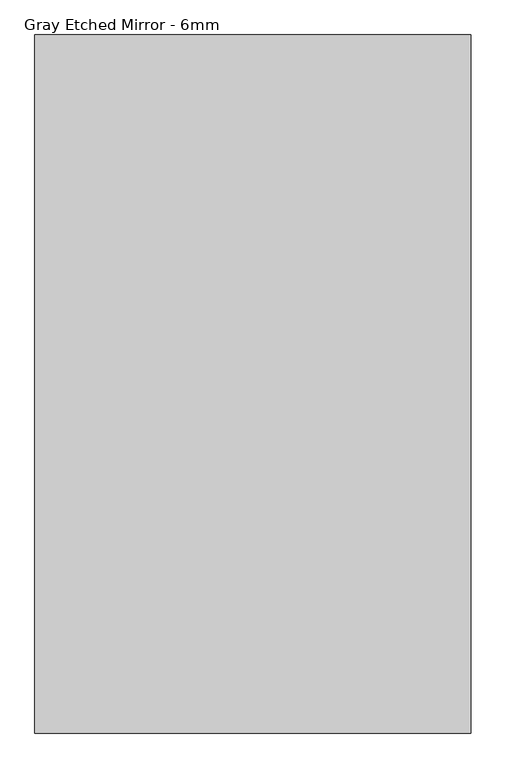
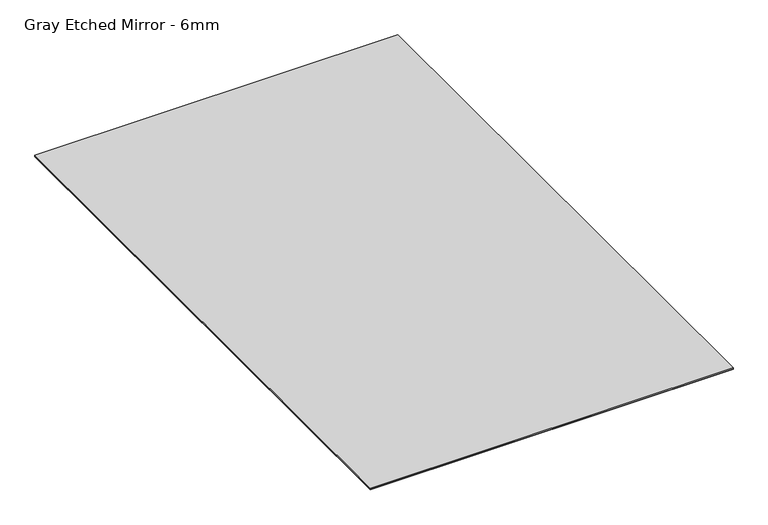
"""IFC4 building model written with IfcOpenShell, lengths in millimetres: proxy geometry, Gray Etched Mirror - 6mm."""

import ifcopenshell
import ifcopenshell.guid

model = None  # the IFC model being written
_history = None  # IfcOwnerHistory: only IFC2X3 demands one
_inside = {}  # id of a spatial element -> (the spatial element, [elements in it])
_under = {}  # id of a project, library or spatial element -> (it, [spatial elements below it])
_declared = {}  # id of a project -> (the project, [libraries it declares])
_typed = {}  # id of a type object -> (the type object, [elements of that type])
_made_of = {}  # id of a material, layer set ... -> (it, [elements and type objects made of it])


def new_model(schema):
    """Start an empty IFC model of exactly this schema.

    Asked for "IFC4X3", IfcOpenShell would pick the latest addendum, in which some entities
    have other attributes; the version numbers below select the first issue.
    IFC2X3 requires an IfcOwnerHistory on every rooted entity: one is made here for all.
    """
    global model, _history
    if schema == "IFC4X3":
        model = ifcopenshell.file(schema_version=(4, 3, 0, 0))
    else:
        model = ifcopenshell.file(schema=schema)
    _inside.clear()
    _under.clear()
    _declared.clear()
    _typed.clear()
    _made_of.clear()
    _history = None
    if model.schema == "IFC2X3":
        org = make("IfcOrganization", Name="unknown")
        user = make(
            "IfcPersonAndOrganization",
            ThePerson=make("IfcPerson", FamilyName="unknown"),
            TheOrganization=org,
        )
        app = make(
            "IfcApplication",
            ApplicationDeveloper=org,
            Version="unknown",
            ApplicationFullName="unknown",
            ApplicationIdentifier="unknown",
        )
        _history = make(
            "IfcOwnerHistory",
            OwningUser=user,
            OwningApplication=app,
            ChangeAction="ADDED",
            CreationDate=0,
        )
    return model


def make(cls, **values):
    """One entity of the class cls with the attributes given. An attribute that is None is left unset."""
    return model.create_entity(
        cls, **{name: value for name, value in values.items() if value is not None}
    )


def rooted(cls, **values):
    """An entity with a GlobalId (a new one), such as an element, a storey or a relation."""
    return make(cls, GlobalId=ifcopenshell.guid.new(), OwnerHistory=_history, **values)


def si_unit(unit_type, name, prefix=None):
    """IfcSIUnit, for example si_unit("LENGTHUNIT", "METRE", prefix="MILLI")."""
    return make("IfcSIUnit", UnitType=unit_type, Prefix=prefix, Name=name)


def assignment(units):
    """IfcUnitAssignment: the units of a project."""
    return None if units is None else make("IfcUnitAssignment", Units=units)


def point(xyz):
    """IfcCartesianPoint."""
    return None if xyz is None else make("IfcCartesianPoint", Coordinates=xyz)


def direction(xyz):
    """IfcDirection."""
    return None if xyz is None else make("IfcDirection", DirectionRatios=xyz)


def frame(location, z_axis=None, x_axis=None):
    """IfcAxis2Placement3D, a coordinate frame: its origin and axes. An axis left out is left unset."""
    return make(
        "IfcAxis2Placement3D",
        Location=point(location),
        Axis=direction(z_axis),
        RefDirection=direction(x_axis),
    )


def origin():
    """The frame at (0, 0, 0) with its axes left unset."""
    return frame((0.0, 0.0, 0.0))


def origin_with_axes():
    """The frame at (0, 0, 0) with the z axis (0, 0, 1) and the x axis (1, 0, 0) written out."""
    return frame((0.0, 0.0, 0.0), z_axis=(0.0, 0.0, 1.0), x_axis=(1.0, 0.0, 0.0))


def place(relative_to, where):
    """IfcLocalPlacement: puts the frame where relative to a parent placement (None: the world)."""
    return make(
        "IfcLocalPlacement", PlacementRelTo=relative_to, RelativePlacement=where
    )


def context(
    kind, dimensions, precision=None, world=None, true_north=None, identifier=None
):
    """IfcGeometricRepresentationContext, for example the 3D "Model" context."""
    return make(
        "IfcGeometricRepresentationContext",
        ContextIdentifier=identifier,
        ContextType=kind,
        CoordinateSpaceDimension=dimensions,
        Precision=precision,
        WorldCoordinateSystem=world,
        TrueNorth=true_north,
    )


def project(units=None, contexts=None):
    """IfcProject with its units and contexts."""
    return rooted(
        "IfcProject",
        Name="project",
        RepresentationContexts=contexts,
        UnitsInContext=assignment(units),
    )


def spatial(cls, under=None, at=None, **own):
    """A site, building, storey or space (cls), placed at a placement, below another one or the project."""
    s = rooted(cls, ObjectPlacement=at, **own)
    if under is not None:
        _under.setdefault(under.id(), (under, []))[1].append(s)
    return s


def polyline(points):
    """IfcPolyline through the points."""
    return make("IfcPolyline", Points=[point(p) for p in points])


def outline(outer, holes=None, kind="AREA"):
    """IfcArbitraryClosedProfileDef: a profile drawn as a closed curve; with holes, ...WithVoids."""
    if holes is None:
        return make("IfcArbitraryClosedProfileDef", ProfileType=kind, OuterCurve=outer)
    return make(
        "IfcArbitraryProfileDefWithVoids",
        ProfileType=kind,
        OuterCurve=outer,
        InnerCurves=holes,
    )


def extrude(swept, where, along, depth):
    """IfcExtrudedAreaSolid: the profile swept, set in the frame where, extruded along a direction by depth."""
    return make(
        "IfcExtrudedAreaSolid",
        SweptArea=swept,
        Position=where,
        ExtrudedDirection=direction(along),
        Depth=depth,
    )


def shape(context_of_items, identifier, shape_type, items):
    """IfcShapeRepresentation: the items that make up one representation, for example the "Body"."""
    return make(
        "IfcShapeRepresentation",
        ContextOfItems=context_of_items,
        RepresentationIdentifier=identifier,
        RepresentationType=shape_type,
        Items=items,
    )


def source(mapping_origin, context_of_items, identifier, shape_type, items):
    """IfcRepresentationMap: a shape defined once, which mapped items show again and again."""
    return make(
        "IfcRepresentationMap",
        MappingOrigin=mapping_origin,
        MappedRepresentation=shape(context_of_items, identifier, shape_type, items),
    )


def transform(
    local_origin,
    x_axis=None,
    y_axis=None,
    z_axis=None,
    scale=None,
    scale2=None,
    scale3=None,
    uniform=True,
):
    """IfcCartesianTransformationOperator3D, or its non-uniform kind. x_axis, y_axis, z_axis: its Axis1, 2, 3."""
    if uniform:
        return make(
            "IfcCartesianTransformationOperator3D",
            Axis1=direction(x_axis),
            Axis2=direction(y_axis),
            LocalOrigin=point(local_origin),
            Scale=scale,
            Axis3=direction(z_axis),
        )
    return make(
        "IfcCartesianTransformationOperator3DnonUniform",
        Axis1=direction(x_axis),
        Axis2=direction(y_axis),
        LocalOrigin=point(local_origin),
        Scale=scale,
        Axis3=direction(z_axis),
        Scale2=scale2,
        Scale3=scale3,
    )


def mapped(mapping_source, mapping_target):
    """IfcMappedItem: shows the shape of a source again, moved by a transform."""
    return make(
        "IfcMappedItem", MappingSource=mapping_source, MappingTarget=mapping_target
    )


def made_of(thing, what):
    """Note that an element or type object is made of a material, layer set ...; save() writes the relation."""
    if what is not None:
        _made_of.setdefault(what.id(), (what, []))[1].append(thing)
    return thing


def element(
    cls,
    number,
    at=None,
    inside=None,
    cuts=None,
    type_object=None,
    material=None,
    context=None,
    identifier="Body",
    shape_type=None,
    held_by="IfcProductDefinitionShape",
    body=None,
    shapes=None,
    **own,
):
    """One element of the class cls, such as IfcWall. Its Tag is "e" and its number.

    at: its placement. inside: the storey or other place that contains it. cuts: it is an
    opening in that element (IfcRelVoidsElement). A single representation is given by context,
    identifier, shape_type and body (its items); several are given by shapes. held_by: the class
    of the entity that holds the representations. save() writes the other relations.
    """
    e = rooted(cls, Tag="e%d" % number, ObjectPlacement=at, **own)
    if body is not None:
        shapes = [shape(context, identifier, shape_type, body)]
    if shapes is not None:
        e.Representation = make(held_by, Representations=shapes)
    if inside is not None:
        _inside.setdefault(inside.id(), (inside, []))[1].append(e)
    if cuts is not None:
        rooted(
            "IfcRelVoidsElement", RelatingBuildingElement=cuts, RelatedOpeningElement=e
        )
    if type_object is not None:
        _typed.setdefault(type_object.id(), (type_object, []))[1].append(e)
    return made_of(e, material)


def aggregate(whole, parts):
    """IfcRelAggregates: a whole, such as a stair, and the parts it consists of."""
    return rooted("IfcRelAggregates", RelatingObject=whole, RelatedObjects=parts)


def save(model, path):
    """Write the relations noted so far, then the file.

    IfcRelAggregates (storeys below a building ...), IfcRelContainedInSpatialStructure (elements
    in a storey), IfcRelDefinesByType, IfcRelAssociatesMaterial and IfcRelDeclares: one each for
    every whole, place, type object, material and project.
    """
    for whole, parts in _under.values():
        aggregate(whole, parts)
    for where, things in _inside.values():
        rooted(
            "IfcRelContainedInSpatialStructure",
            RelatedElements=things,
            RelatingStructure=where,
        )
    for kind, things in _typed.values():
        rooted("IfcRelDefinesByType", RelatedObjects=things, RelatingType=kind)
    for what, things in _made_of.values():
        rooted("IfcRelAssociatesMaterial", RelatedObjects=things, RelatingMaterial=what)
    for by, libraries in _declared.values():
        rooted("IfcRelDeclares", RelatingContext=by, RelatedDefinitions=libraries)
    model.write(path)


def gray_etched_mirror_6mm_6382c6b0(model_context):
    return source(origin(), model_context, "Body", "SweptSolid", [
        extrude(outline(polyline([(762.0, -1219.2), (-762.0, -1219.2), (-762.0, 1219.2), (762.0, 1219.2), (762.0, -1219.2)])), frame((0.0, 0.0, 1.984375), z_axis=(0.0, 0.0, 1.0), x_axis=(1.0, 0.0, 0.0)), (0.0, 0.0, 1.0), 4.7625),
        extrude(outline(polyline([(762.0, 1219.2), (762.0, -1219.2), (-762.0, -1219.2), (-762.0, 1219.2), (762.0, 1219.2)])), origin_with_axes(), (0.0, 0.0, 1.0), 1.984375),
    ])


if __name__ == "__main__":
    model = new_model("IFC4")
    model_context = context("Model", 3, world=origin())
    ifc_project = project(units=[si_unit("LENGTHUNIT", "METRE", prefix="MILLI")], contexts=[model_context])
    site = spatial("IfcSite", under=ifc_project)
    building = spatial("IfcBuilding", under=site)
    placement = place(None, origin())
    gray_etched_mirror_6mm_shape = gray_etched_mirror_6mm_6382c6b0(model_context)
    element("IfcBuildingElementProxy", 1, Name="Gray Etched Mirror - 6mm", ObjectType="Gray Etched Mirror - 6mm", at=placement, inside=building, context=model_context, shape_type="MappedRepresentation", body=[
        mapped(gray_etched_mirror_6mm_shape, transform((0.0, 0.0, 0.0), x_axis=(1.0, 0.0, 0.0), y_axis=(0.0, 1.0, 0.0), z_axis=(0.0, 0.0, 1.0))),
    ])
    save(model, "model.ifc")
